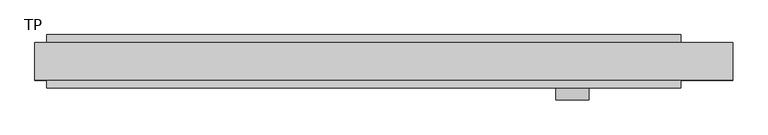
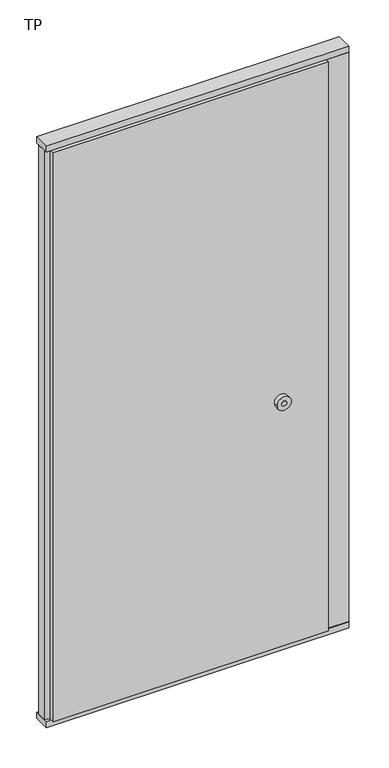
"""IFC4 building model written with IfcOpenShell, lengths in millimetres: plate geometry, TP."""

from ifc_helpers import new_model, si_unit, point, frame, frame_2d, origin, origin_with_axes, place, context, project, spatial, polyline, circle_curve, trimmed, segment, composite_curve, outline, extrude, source, transform, mapped, element, save


def tp_7d10ce72(model_context):
    return source(origin(), model_context, "Body", "SweptSolid", [
        extrude(outline(polyline([(502.0507813, 45.0), (502.0507813, 30.5), (590.0, 30.5), (590.0, -30.5), (502.0507813, -30.5), (502.0507813, -45.0), (-570.0, -45.0), (-570.0, -22.9993165), (-590.0, -17.6401049), (-590.0, 17.6401049), (-570.0, 22.9993165), (-570.0, 45.0), (502.0507813, 45.0)])), frame((0.0, 0.0, 25.0), z_axis=(0.0, 0.0, 1.0), x_axis=(1.0, 0.0, 0.0)), (0.0, 0.0, 1.0), 2350.0),
        extrude(outline(polyline([(-590.0, -32.0), (-590.0, 32.0), (590.0, 32.0), (590.0, -32.0), (-590.0, -32.0)])), origin_with_axes(), (0.0, 0.0, 1.0), 25.0),
        extrude(outline(polyline([(-590.0, -32.0), (-590.0, 32.0), (590.0, 32.0), (590.0, -32.0), (-590.0, -32.0)])), frame((0.0, 0.0, 2375.0), z_axis=(0.0, 0.0, 1.0), x_axis=(1.0, 0.0, 0.0)), (0.0, 0.0, 1.0), 25.0),
        extrude(outline(composite_curve([segment(trimmed(circle_curve(frame_2d((1040.0, 318.9738813)), 27.5), [point((1040.0, 346.4738813))], [point((1040.0, 291.4738813))], False, "CARTESIAN"), True, "CONTINUOUS"), segment(trimmed(circle_curve(frame_2d((1040.0, 318.9738813)), 27.5), [point((1040.0, 291.4738813))], [point((1040.0, 346.4738813))], False, "CARTESIAN"), True, "CONTINUOUS")], self_intersect=False), holes=[composite_curve([segment(trimmed(circle_curve(frame_2d((1040.0, 318.9738813)), 10.0), [point((1040.0, 328.9738813))], [point((1040.0, 308.9738813))], True, "CARTESIAN"), True, "CONTINUOUS"), segment(trimmed(circle_curve(frame_2d((1040.0, 318.9738813)), 10.0), [point((1040.0, 308.9738813))], [point((1040.0, 328.9738813))], True, "CARTESIAN"), True, "CONTINUOUS")], self_intersect=False)]), frame((0.0, -65.0, 0.0), z_axis=(0.0, 1.0, 0.0), x_axis=(0.0, 0.0, 1.0)), (0.0, 0.0, 1.0), 20.0),
    ])


if __name__ == "__main__":
    model = new_model("IFC4")
    model_context = context("Model", 3, world=origin())
    ifc_project = project(units=[si_unit("LENGTHUNIT", "METRE", prefix="MILLI")], contexts=[model_context])
    site = spatial("IfcSite", under=ifc_project)
    building = spatial("IfcBuilding", under=site)
    placement = place(None, origin())
    tp_shape = tp_7d10ce72(model_context)
    element("IfcPlate", 1, ObjectType="TP", at=placement, inside=building, context=model_context, shape_type="MappedRepresentation", body=[
        mapped(tp_shape, transform((0.0, 0.0, 0.0), x_axis=(1.0, 0.0, 0.0), y_axis=(0.0, 1.0, 0.0), z_axis=(0.0, 0.0, 1.0))),
    ])
    save(model, "model.ifc")
